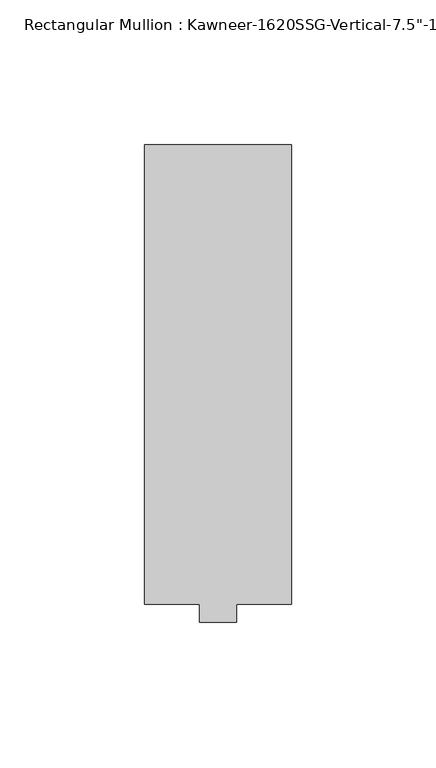
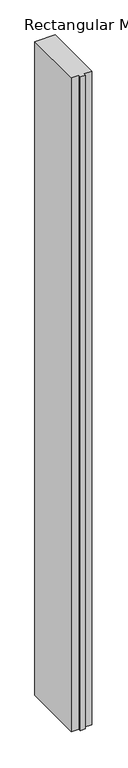
"""IFC4 building model written with IfcOpenShell, lengths in millimetres: member geometry."""

from ifc_helpers import new_model, si_unit, frame, origin, place, context, project, spatial, polyline, outline, extrude, source, transform, mapped, element, save


def member_b07b6e87(model_context):
    return source(origin(), model_context, "Body", "SweptSolid", [
        extrude(outline(polyline([(25.4, 161.925), (25.4, 3.175), (6.35, 3.175), (6.35, -3.175), (-6.35, -3.175), (-6.35, 3.175), (-25.4, 3.175), (-25.4, 161.925), (25.4, 161.925)])), frame((0.0, 0.0, -1739.9), z_axis=(0.0, 0.0, 1.0), x_axis=(1.0, 0.0, 0.0)), (0.0, 0.0, 1.0), 1739.9),
    ])


if __name__ == "__main__":
    model = new_model("IFC4")
    model_context = context("Model", 3, world=origin())
    ifc_project = project(units=[si_unit("LENGTHUNIT", "METRE", prefix="MILLI")], contexts=[model_context])
    site = spatial("IfcSite", under=ifc_project)
    building = spatial("IfcBuilding", under=site)
    placement = place(None, origin())
    member_shape = member_b07b6e87(model_context)
    element("IfcMember", 1, ObjectType="Rectangular Mullion : Kawneer-1620SSG-Vertical-7.5\"-1/4\"Infill-Standard", at=placement, inside=building, context=model_context, shape_type="MappedRepresentation", body=[
        mapped(member_shape, transform((0.0, 0.0, 0.0), x_axis=(1.0, 0.0, 0.0), y_axis=(0.0, 1.0, 0.0), z_axis=(0.0, 0.0, 1.0))),
    ])
    save(model, "model.ifc")
